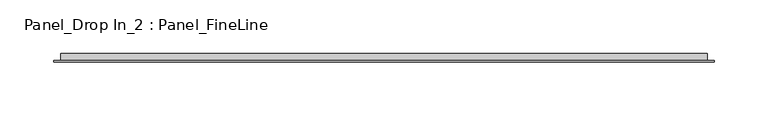
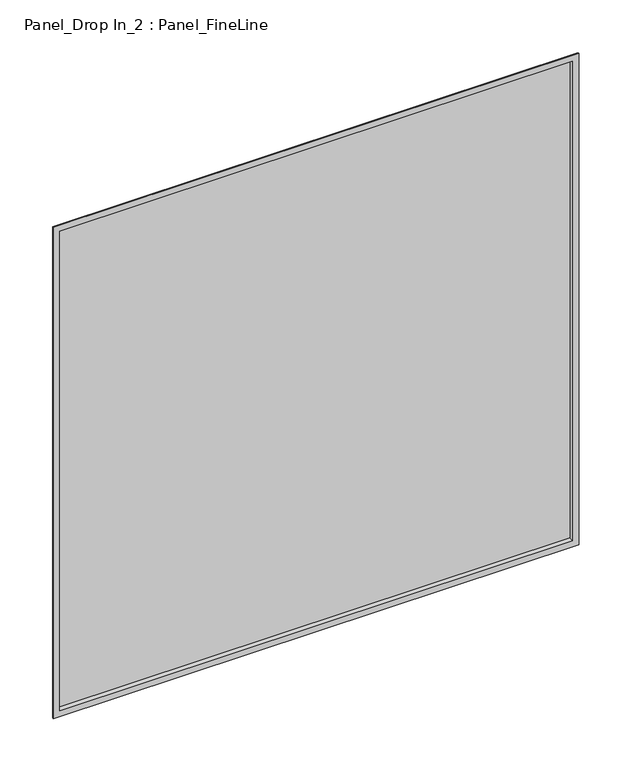
"""IFC4 building model written with IfcOpenShell, lengths in millimetres: plate geometry, Panel_Drop In_2 : Panel_FineLine."""

from ifc_helpers import new_model, si_unit, frame, origin, place, context, project, spatial, polyline, outline, extrude, faceted_brep, source, transform, mapped, element, save


def panel_drop_in_2_panel_fineline_977ff036(model_context):
    return source(origin(), model_context, "Body", "SolidModel", [
        extrude(outline(polyline([(299.9500002, 5.5297993), (-299.9500002, 5.5297993), (-299.9500002, 7.0), (299.9500002, 7.0), (299.9500002, 5.5297993)])), frame((0.0, 0.0, 1.3), z_axis=(0.0, 0.0, 1.0), x_axis=(1.0, 0.0, 0.0)), (0.0, 0.0, 1.0), 592.4),
        faceted_brep([(-307.2500002, 0.0, 601.0), (-307.2500002, 1.5, 601.0), (-307.2500002, 1.5, -6.0), (-307.2500002, 0.0, -6.0), (-299.9500002, 7.0, 593.7), (-299.9500002, 0.0, 593.7), (-299.9500002, 0.0, 1.3), (-299.9500002, 7.0, 1.3), (-291.2500002, 8.0, 585.0), (-291.2500002, 7.0, 585.0), (-291.2500002, 7.0, 10.0), (-291.2500002, 8.0, 10.0), (-300.9500002, 1.5, 594.7), (-300.9500002, 8.0, 594.7), (-300.9500002, 8.0, 0.3), (-300.9500002, 1.5, 0.3), (307.2500002, 1.5, -6.0), (307.2500002, 0.0, -6.0), (299.9500002, 0.0, 1.3), (299.9500002, 7.0, 1.3), (291.2500002, 7.0, 10.0), (291.2500002, 8.0, 10.0), (300.9500002, 8.0, 0.3), (300.9500002, 1.5, 0.3), (307.2500002, 1.5, 601.0), (307.2500002, 0.0, 601.0), (299.9500002, 0.0, 593.7), (299.9500002, 7.0, 593.7), (291.2500002, 7.0, 585.0), (291.2500002, 8.0, 585.0), (300.9500002, 8.0, 594.7), (300.9500002, 1.5, 594.7)], [[[0, 1, 2, 3]], [[4, 5, 6, 7]], [[8, 9, 10, 11]], [[12, 13, 14, 15]], [[3, 2, 16, 17]], [[7, 6, 18, 19]], [[11, 10, 20, 21]], [[15, 14, 22, 23]], [[17, 16, 24, 25]], [[19, 18, 26, 27]], [[21, 20, 28, 29]], [[23, 22, 30, 31]], [[25, 24, 1, 0]], [[3, 17, 25, 0], [5, 26, 18, 6]], [[27, 26, 5, 4]], [[7, 19, 27, 4], [9, 28, 20, 10]], [[29, 28, 9, 8]], [[13, 30, 22, 14], [11, 21, 29, 8]], [[31, 30, 13, 12]], [[1, 24, 16, 2], [15, 23, 31, 12]]]),
        extrude(outline(polyline([(291.2500002, 7.0), (-291.2500002, 7.0), (-291.2500002, 8.0), (291.2500002, 8.0), (291.2500002, 7.0)])), frame((0.0, 0.0, 10.0), z_axis=(0.0, 0.0, 1.0), x_axis=(1.0, 0.0, 0.0)), (0.0, 0.0, 1.0), 575.0),
    ])


if __name__ == "__main__":
    model = new_model("IFC4")
    model_context = context("Model", 3, world=origin())
    ifc_project = project(units=[si_unit("LENGTHUNIT", "METRE", prefix="MILLI")], contexts=[model_context])
    site = spatial("IfcSite", under=ifc_project)
    building = spatial("IfcBuilding", under=site)
    placement = place(None, origin())
    panel_drop_in_2_panel_fineline_shape = panel_drop_in_2_panel_fineline_977ff036(model_context)
    element("IfcPlate", 1, ObjectType="Panel_Drop In_2 : Panel_FineLine", at=placement, inside=building, context=model_context, shape_type="MappedRepresentation", body=[
        mapped(panel_drop_in_2_panel_fineline_shape, transform((0.0, 0.0, 0.0), x_axis=(1.0, 0.0, 0.0), y_axis=(0.0, 1.0, 0.0), z_axis=(0.0, 0.0, 1.0))),
    ])
    save(model, "model.ifc")
